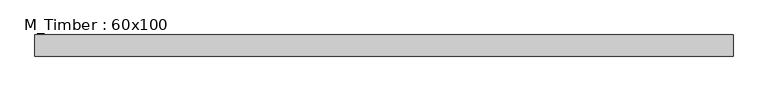
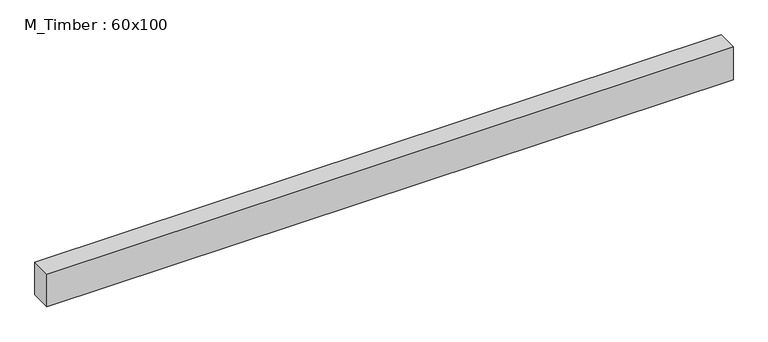
"""IFC4 building model written with IfcOpenShell, lengths in millimetres: beam geometry, M_Timber : 60x100."""

from ifc_helpers import new_model, si_unit, frame, origin, place, context, project, spatial, polyline, outline, extrude, source, transform, mapped, element, save


def m_timber_60x100_72475849(model_context):
    return source(origin(), model_context, "Body", "SweptSolid", [
        extrude(outline(polyline([(994.4437263, 30.0), (994.4437263, -30.0), (-988.7404439, -30.0), (-988.7404439, 30.0), (994.4437263, 30.0)])), frame((0.0, 0.0, -50.0), z_axis=(0.0, 0.0, 1.0), x_axis=(1.0, 0.0, 0.0)), (0.0, 0.0, 1.0), 100.0),
    ])


if __name__ == "__main__":
    model = new_model("IFC4")
    model_context = context("Model", 3, world=origin())
    ifc_project = project(units=[si_unit("LENGTHUNIT", "METRE", prefix="MILLI")], contexts=[model_context])
    site = spatial("IfcSite", under=ifc_project)
    building = spatial("IfcBuilding", under=site)
    placement = place(None, origin())
    m_timber_60x100_shape = m_timber_60x100_72475849(model_context)
    element("IfcBeam", 1, ObjectType="M_Timber : 60x100", at=placement, inside=building, context=model_context, shape_type="MappedRepresentation", body=[
        mapped(m_timber_60x100_shape, transform((0.0, 0.0, 0.0), x_axis=(1.0, 0.0, 0.0), y_axis=(0.0, 1.0, 0.0), z_axis=(0.0, 0.0, 1.0))),
    ])
    save(model, "model.ifc")
